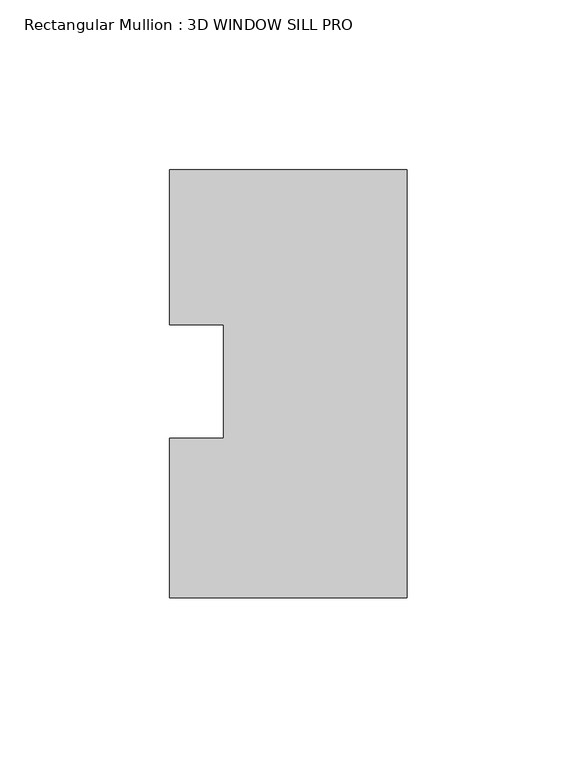
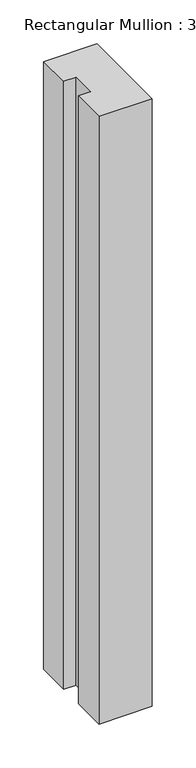
"""IFC4 building model written with IfcOpenShell, lengths in millimetres: member geometry, Rectangular Mullion : 3D WINDOW SILL PRO."""

import ifcopenshell
import ifcopenshell.guid

model = None  # the IFC model being written
_history = None  # IfcOwnerHistory: only IFC2X3 demands one
_inside = {}  # id of a spatial element -> (the spatial element, [elements in it])
_under = {}  # id of a project, library or spatial element -> (it, [spatial elements below it])
_declared = {}  # id of a project -> (the project, [libraries it declares])
_typed = {}  # id of a type object -> (the type object, [elements of that type])
_made_of = {}  # id of a material, layer set ... -> (it, [elements and type objects made of it])


def new_model(schema):
    """Start an empty IFC model of exactly this schema.

    Asked for "IFC4X3", IfcOpenShell would pick the latest addendum, in which some entities
    have other attributes; the version numbers below select the first issue.
    IFC2X3 requires an IfcOwnerHistory on every rooted entity: one is made here for all.
    """
    global model, _history
    if schema == "IFC4X3":
        model = ifcopenshell.file(schema_version=(4, 3, 0, 0))
    else:
        model = ifcopenshell.file(schema=schema)
    _inside.clear()
    _under.clear()
    _declared.clear()
    _typed.clear()
    _made_of.clear()
    _history = None
    if model.schema == "IFC2X3":
        org = make("IfcOrganization", Name="unknown")
        user = make(
            "IfcPersonAndOrganization",
            ThePerson=make("IfcPerson", FamilyName="unknown"),
            TheOrganization=org,
        )
        app = make(
            "IfcApplication",
            ApplicationDeveloper=org,
            Version="unknown",
            ApplicationFullName="unknown",
            ApplicationIdentifier="unknown",
        )
        _history = make(
            "IfcOwnerHistory",
            OwningUser=user,
            OwningApplication=app,
            ChangeAction="ADDED",
            CreationDate=0,
        )
    return model


def make(cls, **values):
    """One entity of the class cls with the attributes given. An attribute that is None is left unset."""
    return model.create_entity(
        cls, **{name: value for name, value in values.items() if value is not None}
    )


def rooted(cls, **values):
    """An entity with a GlobalId (a new one), such as an element, a storey or a relation."""
    return make(cls, GlobalId=ifcopenshell.guid.new(), OwnerHistory=_history, **values)


def si_unit(unit_type, name, prefix=None):
    """IfcSIUnit, for example si_unit("LENGTHUNIT", "METRE", prefix="MILLI")."""
    return make("IfcSIUnit", UnitType=unit_type, Prefix=prefix, Name=name)


def assignment(units):
    """IfcUnitAssignment: the units of a project."""
    return None if units is None else make("IfcUnitAssignment", Units=units)


def point(xyz):
    """IfcCartesianPoint."""
    return None if xyz is None else make("IfcCartesianPoint", Coordinates=xyz)


def direction(xyz):
    """IfcDirection."""
    return None if xyz is None else make("IfcDirection", DirectionRatios=xyz)


def frame(location, z_axis=None, x_axis=None):
    """IfcAxis2Placement3D, a coordinate frame: its origin and axes. An axis left out is left unset."""
    return make(
        "IfcAxis2Placement3D",
        Location=point(location),
        Axis=direction(z_axis),
        RefDirection=direction(x_axis),
    )


def origin():
    """The frame at (0, 0, 0) with its axes left unset."""
    return frame((0.0, 0.0, 0.0))


def place(relative_to, where):
    """IfcLocalPlacement: puts the frame where relative to a parent placement (None: the world)."""
    return make(
        "IfcLocalPlacement", PlacementRelTo=relative_to, RelativePlacement=where
    )


def context(
    kind, dimensions, precision=None, world=None, true_north=None, identifier=None
):
    """IfcGeometricRepresentationContext, for example the 3D "Model" context."""
    return make(
        "IfcGeometricRepresentationContext",
        ContextIdentifier=identifier,
        ContextType=kind,
        CoordinateSpaceDimension=dimensions,
        Precision=precision,
        WorldCoordinateSystem=world,
        TrueNorth=true_north,
    )


def project(units=None, contexts=None):
    """IfcProject with its units and contexts."""
    return rooted(
        "IfcProject",
        Name="project",
        RepresentationContexts=contexts,
        UnitsInContext=assignment(units),
    )


def spatial(cls, under=None, at=None, **own):
    """A site, building, storey or space (cls), placed at a placement, below another one or the project."""
    s = rooted(cls, ObjectPlacement=at, **own)
    if under is not None:
        _under.setdefault(under.id(), (under, []))[1].append(s)
    return s


def polyline(points):
    """IfcPolyline through the points."""
    return make("IfcPolyline", Points=[point(p) for p in points])


def outline(outer, holes=None, kind="AREA"):
    """IfcArbitraryClosedProfileDef: a profile drawn as a closed curve; with holes, ...WithVoids."""
    if holes is None:
        return make("IfcArbitraryClosedProfileDef", ProfileType=kind, OuterCurve=outer)
    return make(
        "IfcArbitraryProfileDefWithVoids",
        ProfileType=kind,
        OuterCurve=outer,
        InnerCurves=holes,
    )


def extrude(swept, where, along, depth):
    """IfcExtrudedAreaSolid: the profile swept, set in the frame where, extruded along a direction by depth."""
    return make(
        "IfcExtrudedAreaSolid",
        SweptArea=swept,
        Position=where,
        ExtrudedDirection=direction(along),
        Depth=depth,
    )


def shape(context_of_items, identifier, shape_type, items):
    """IfcShapeRepresentation: the items that make up one representation, for example the "Body"."""
    return make(
        "IfcShapeRepresentation",
        ContextOfItems=context_of_items,
        RepresentationIdentifier=identifier,
        RepresentationType=shape_type,
        Items=items,
    )


def source(mapping_origin, context_of_items, identifier, shape_type, items):
    """IfcRepresentationMap: a shape defined once, which mapped items show again and again."""
    return make(
        "IfcRepresentationMap",
        MappingOrigin=mapping_origin,
        MappedRepresentation=shape(context_of_items, identifier, shape_type, items),
    )


def transform(
    local_origin,
    x_axis=None,
    y_axis=None,
    z_axis=None,
    scale=None,
    scale2=None,
    scale3=None,
    uniform=True,
):
    """IfcCartesianTransformationOperator3D, or its non-uniform kind. x_axis, y_axis, z_axis: its Axis1, 2, 3."""
    if uniform:
        return make(
            "IfcCartesianTransformationOperator3D",
            Axis1=direction(x_axis),
            Axis2=direction(y_axis),
            LocalOrigin=point(local_origin),
            Scale=scale,
            Axis3=direction(z_axis),
        )
    return make(
        "IfcCartesianTransformationOperator3DnonUniform",
        Axis1=direction(x_axis),
        Axis2=direction(y_axis),
        LocalOrigin=point(local_origin),
        Scale=scale,
        Axis3=direction(z_axis),
        Scale2=scale2,
        Scale3=scale3,
    )


def mapped(mapping_source, mapping_target):
    """IfcMappedItem: shows the shape of a source again, moved by a transform."""
    return make(
        "IfcMappedItem", MappingSource=mapping_source, MappingTarget=mapping_target
    )


def made_of(thing, what):
    """Note that an element or type object is made of a material, layer set ...; save() writes the relation."""
    if what is not None:
        _made_of.setdefault(what.id(), (what, []))[1].append(thing)
    return thing


def element(
    cls,
    number,
    at=None,
    inside=None,
    cuts=None,
    type_object=None,
    material=None,
    context=None,
    identifier="Body",
    shape_type=None,
    held_by="IfcProductDefinitionShape",
    body=None,
    shapes=None,
    **own,
):
    """One element of the class cls, such as IfcWall. Its Tag is "e" and its number.

    at: its placement. inside: the storey or other place that contains it. cuts: it is an
    opening in that element (IfcRelVoidsElement). A single representation is given by context,
    identifier, shape_type and body (its items); several are given by shapes. held_by: the class
    of the entity that holds the representations. save() writes the other relations.
    """
    e = rooted(cls, Tag="e%d" % number, ObjectPlacement=at, **own)
    if body is not None:
        shapes = [shape(context, identifier, shape_type, body)]
    if shapes is not None:
        e.Representation = make(held_by, Representations=shapes)
    if inside is not None:
        _inside.setdefault(inside.id(), (inside, []))[1].append(e)
    if cuts is not None:
        rooted(
            "IfcRelVoidsElement", RelatingBuildingElement=cuts, RelatedOpeningElement=e
        )
    if type_object is not None:
        _typed.setdefault(type_object.id(), (type_object, []))[1].append(e)
    return made_of(e, material)


def aggregate(whole, parts):
    """IfcRelAggregates: a whole, such as a stair, and the parts it consists of."""
    return rooted("IfcRelAggregates", RelatingObject=whole, RelatedObjects=parts)


def save(model, path):
    """Write the relations noted so far, then the file.

    IfcRelAggregates (storeys below a building ...), IfcRelContainedInSpatialStructure (elements
    in a storey), IfcRelDefinesByType, IfcRelAssociatesMaterial and IfcRelDeclares: one each for
    every whole, place, type object, material and project.
    """
    for whole, parts in _under.values():
        aggregate(whole, parts)
    for where, things in _inside.values():
        rooted(
            "IfcRelContainedInSpatialStructure",
            RelatedElements=things,
            RelatingStructure=where,
        )
    for kind, things in _typed.values():
        rooted("IfcRelDefinesByType", RelatedObjects=things, RelatingType=kind)
    for what, things in _made_of.values():
        rooted("IfcRelAssociatesMaterial", RelatedObjects=things, RelatingMaterial=what)
    for by, libraries in _declared.values():
        rooted("IfcRelDeclares", RelatingContext=by, RelatedDefinitions=libraries)
    model.write(path)


def rectangular_mullion_3d_window_sill_pro_5e5afb98(model_context):
    return source(origin(), model_context, "Body", "SweptSolid", [
        extrude(outline(polyline([(-34.925, 62.8904), (34.925, 62.8904), (34.925, -62.8904), (-34.925, -62.8904), (-34.925, -16.0459314), (-19.05, -16.0459314), (-19.05, 17.31709), (-34.925, 17.31709), (-34.925, 62.8904)])), frame((0.0, 0.0, -844.55), z_axis=(0.0, 0.0, 1.0), x_axis=(1.0, 0.0, 0.0)), (0.0, 0.0, 1.0), 844.55),
    ])


if __name__ == "__main__":
    model = new_model("IFC4")
    model_context = context("Model", 3, world=origin())
    ifc_project = project(units=[si_unit("LENGTHUNIT", "METRE", prefix="MILLI")], contexts=[model_context])
    site = spatial("IfcSite", under=ifc_project)
    building = spatial("IfcBuilding", under=site)
    placement = place(None, origin())
    rectangular_mullion_3d_window_sill_pro_shape = rectangular_mullion_3d_window_sill_pro_5e5afb98(model_context)
    element("IfcMember", 1, ObjectType="Rectangular Mullion : 3D WINDOW SILL PRO", at=placement, inside=building, context=model_context, shape_type="MappedRepresentation", body=[
        mapped(rectangular_mullion_3d_window_sill_pro_shape, transform((0.0, 0.0, 0.0), x_axis=(1.0, 0.0, 0.0), y_axis=(0.0, 1.0, 0.0), z_axis=(0.0, 0.0, 1.0))),
    ])
    save(model, "model.ifc")
